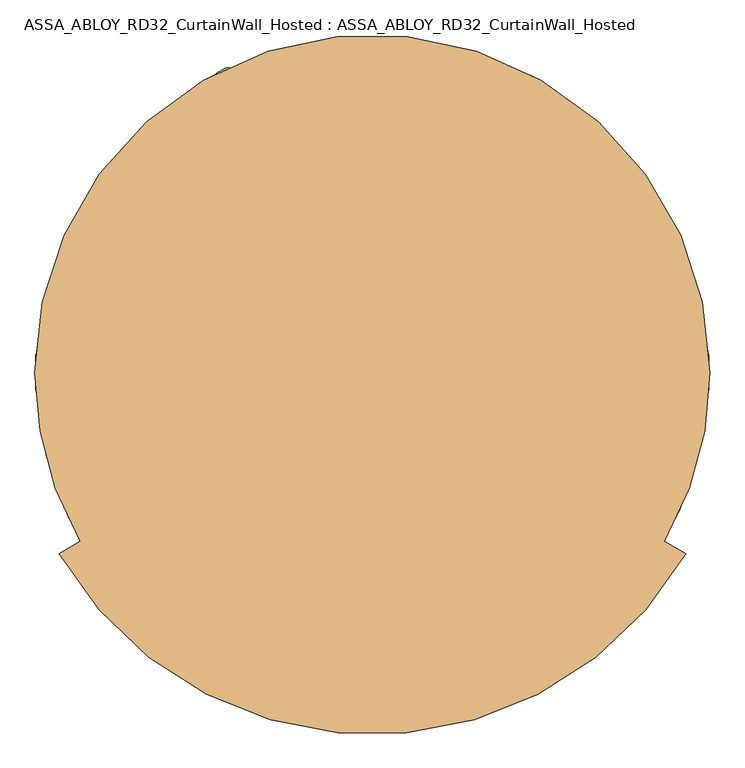
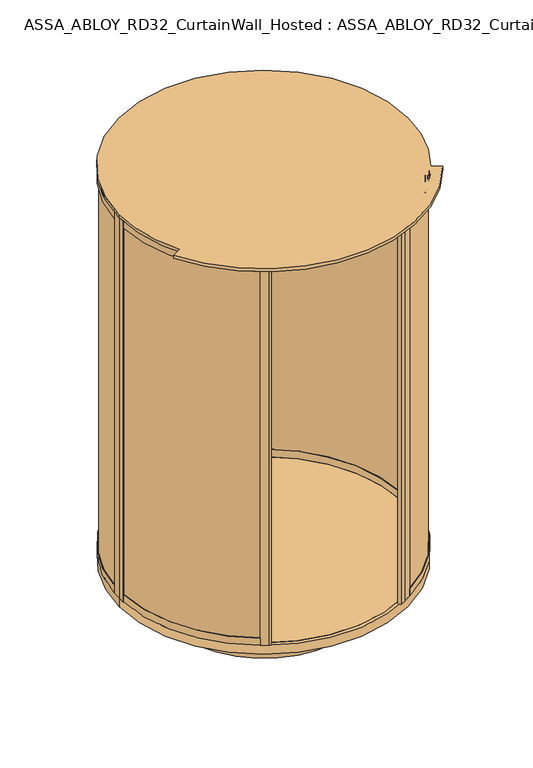
"""IFC4 building model written with IfcOpenShell, lengths in millimetres: door geometry, ASSA_ABLOY_RD32_CurtainWall_Hosted : ASSA_ABLOY_RD32_CurtainWall_Hosted."""

from ifc_helpers import new_model, si_unit, point, frame, frame_2d, origin, origin_with_axes, origin_2d, place, context, project, spatial, polyline, circle_curve, trimmed, segment, composite_curve, outline, extrude, source, transform, mapped, element, save
from ifc_brep_helpers import plane_surface, cylinder_surface, revolved_surface, advanced_brep


def assa_abloy_rd32_curtainwall_hosted_assa_abloy_rd32_4c6b5f64(model_context):
    return source(origin(), model_context, "Body", "SolidModel", [
        extrude(outline(composite_curve([segment(trimmed(circle_curve(origin_2d(), 989.0), [point((494.5, 856.4991243))], [point((988.4436781, 33.1676829))], False, "CARTESIAN"), True, "CONTINUOUS"), segment(polyline([(988.4436781, 33.1676829), (978.4493032, 32.8323171)]), True, "CONTINUOUS"), segment(trimmed(circle_curve(origin_2d(), 979.0), [point((978.4493032, 32.8323171))], [point((489.5, 847.8388703))], True, "CARTESIAN"), True, "CONTINUOUS"), segment(polyline([(489.5, 847.8388703), (494.5, 856.4991243)]), True, "CONTINUOUS")], self_intersect=False)), frame((0.0, 0.0, 33.0), z_axis=(0.0, 0.0, 1.0), x_axis=(1.0, 0.0, 0.0)), (0.0, 0.0, 1.0), 2715.0),
        extrude(outline(composite_curve([segment(trimmed(circle_curve(origin_2d(), 989.0), [point((988.4436781, -33.1676829))], [point((494.5, -856.4991243))], False, "CARTESIAN"), True, "CONTINUOUS"), segment(polyline([(494.5, -856.4991243), (489.5, -847.8388703)]), True, "CONTINUOUS"), segment(trimmed(circle_curve(origin_2d(), 979.0), [point((489.5, -847.8388703))], [point((978.4493032, -32.8323171))], True, "CARTESIAN"), True, "CONTINUOUS"), segment(polyline([(978.4493032, -32.8323171), (988.4436781, -33.1676829)]), True, "CONTINUOUS")], self_intersect=False)), frame((0.0, 0.0, 33.0), z_axis=(0.0, 0.0, 1.0), x_axis=(1.0, 0.0, 0.0)), (0.0, 0.0, 1.0), 2715.0),
        extrude(outline(composite_curve([segment(polyline([(496.9998179, -860.828936), (514.320326, -850.828936), (515.8201439, -853.4266969), (461.2605435, -884.9266969), (461.760545, -885.7927249), (435.7781998, -900.7936389)]), True, "CONTINUOUS"), segment(trimmed(circle_curve(frame_2d((428.7783803, -888.669596)), 13.9996389), [point((435.7781998, -900.7936389))], [point((421.7785609, -876.545553))], False, "CARTESIAN"), True, "CONTINUOUS"), segment(polyline([(421.7785609, -876.545553), (447.7609061, -861.544639), (448.2609076, -862.4106671), (502.8205081, -830.9106671), (504.320326, -833.5084279), (486.9998179, -843.5084279), (496.9998179, -860.828936)]), True, "CONTINUOUS")], self_intersect=False)), origin_with_axes(), (0.0, 0.0, 1.0), 2778.0),
        extrude(outline(composite_curve([segment(polyline([(496.9998179, 860.828936), (486.9998179, 843.5084279), (504.320326, 833.5084279), (502.8205081, 830.9106671), (457.7868716, 856.9108492)]), True, "CONTINUOUS"), segment(trimmed(circle_curve(frame_2d((464.2866895, 868.1688641)), 12.9996359), [point((457.7868716, 856.9108492))], [point((470.7865074, 879.426879))], False, "CARTESIAN"), True, "CONTINUOUS"), segment(polyline([(470.7865074, 879.426879), (515.8201439, 853.4266969), (514.320326, 850.828936), (496.9998179, 860.828936)]), True, "CONTINUOUS")], self_intersect=False)), origin_with_axes(), (0.0, 0.0, 1.0), 2778.0),
        advanced_brep(
        [(502.2711247, 831.0022366, 0.0), (502.2711247, 831.0022366, 53.0), (503.8229408, 833.5696998, 53.0), (503.8229408, 833.5696998, 33.0), (514.168381, 850.6861207, 33.0), (514.168381, 850.6861207, 53.0), (515.7201971, 853.2535838, 53.0), (515.7201971, 853.2535838, 0.0), (969.6270403, 51.6178536, 0.0), (995.5902772, 53.0, 0.0), (995.5902772, 53.0, 53.0), (992.5945191, 52.8405216, 53.0), (992.5945191, 52.8405216, 33.0), (972.6227984, 51.777332, 33.0), (972.6227984, 51.777332, 53.0), (969.6270403, 51.6178536, 53.0)],
        [
            (0, 1),
            (1, 2),
            (2, 3),
            (3, 4),
            (4, 5),
            (5, 6),
            (6, 7),
            (7, 0),
            (8, 9),
            (9, 10),
            (10, 11),
            (11, 12),
            (12, 13),
            (13, 14),
            (14, 15),
            (15, 8),
            (15, 1, circle_curve(frame((0.0, 0.0, 53.0), z_axis=(0.0, 0.0, 1.0), x_axis=(0.5172720131197738, 0.8558210469736162, 0.0)), 971.0)),
            (0, 8, circle_curve(frame((0.0, 0.0, 0.0), z_axis=(0.0, 0.0, -1.0), x_axis=(0.5172720131197738, 0.8558210469736162, 0.0)), 971.0)),
            (14, 2, circle_curve(frame((0.0, 0.0, 53.0), z_axis=(0.0, 0.0, 1.0), x_axis=(0.5172720131197738, 0.8558210469736162, 0.0)), 974.0)),
            (13, 3, circle_curve(frame((0.0, 0.0, 33.0), z_axis=(0.0, 0.0, 1.0), x_axis=(0.5172720131197738, 0.8558210469736162, 0.0)), 974.0)),
            (12, 4, circle_curve(frame((0.0, 0.0, 33.0), z_axis=(0.0, 0.0, 1.0), x_axis=(0.5172720131197738, 0.8558210469736162, 0.0)), 994.0)),
            (11, 5, circle_curve(frame((0.0, 0.0, 53.0), z_axis=(0.0, 0.0, 1.0), x_axis=(0.5172720131197738, 0.8558210469736162, 0.0)), 994.0)),
            (10, 6, circle_curve(frame((0.0, 0.0, 53.0), z_axis=(0.0, 0.0, 1.0), x_axis=(0.5172720131197738, 0.8558210469736162, 0.0)), 997.0)),
            (9, 7, circle_curve(frame((0.0, 0.0, 0.0), z_axis=(0.0, 0.0, 1.0), x_axis=(0.5172720131197738, 0.8558210469736162, 0.0)), 997.0)),
        ],
        [
            plane_surface(frame((515.7201971, 853.2535838, 0.0), z_axis=(-0.8558210469736162, 0.5172720131197739, 0.0), x_axis=(0.0, 0.0, 1.0))),
            plane_surface(frame((995.5902772, 53.0, 0.0), z_axis=(0.05315947843547908, -0.9985860352781166, 0.0), x_axis=(0.0, 0.0, 1.0))),
            revolved_surface(polyline([(502.2711247393003, 831.0022366113812, 0.0), (502.2711247393003, 831.0022366113812, 53.0)]), (0.0, 0.0, 0.0), (0.0, 0.0, -1.0)),
            plane_surface(frame((0.0, 0.0, 53.0), z_axis=(0.0, 0.0, 1.0000000000000002), x_axis=(0.5172720131197739, 0.8558210469736163, 0.0))),
            cylinder_surface(frame((0.0, 0.0, 0.0), z_axis=(0.0, 0.0, -1.0), x_axis=(0.5172720131197738, 0.8558210469736162, 0.0)), 974.0),
            plane_surface(frame((0.0, 0.0, 33.0), z_axis=(0.0, 0.0, 1.0000000000000002), x_axis=(0.5172720131197739, 0.8558210469736163, 0.0))),
            revolved_surface(polyline([(514.1683810410551, 850.6861206917745, 33.0), (514.1683810410551, 850.6861206917745, 53.0)]), (0.0, 0.0, 0.0), (0.0, 0.0, -1.0)),
            cylinder_surface(frame((0.0, 0.0, 0.0), z_axis=(0.0, 0.0, -1.0), x_axis=(0.5172720131197738, 0.8558210469736162, 0.0)), 997.0),
            plane_surface(frame((0.0, 0.0, 0.0), z_axis=(0.0, 0.0, -1.0000000000000002), x_axis=(0.5172720131197739, 0.8558210469736163, 0.0))),
        ],
        [
            (0, [[1, 2, 3, 4, 5, 6, 7, 8]]),
            (1, [[9, 10, 11, 12, 13, 14, 15, 16]]),
            (2, [[17, -1, 18, -16]]),
            (3, [[19, -2, -17, -15]]),
            (4, [[20, -3, -19, -14]]),
            (5, [[21, -4, -20, -13]]),
            (6, [[22, -5, -21, -12]]),
            (3, [[23, -6, -22, -11]]),
            (7, [[24, -7, -23, -10]]),
            (8, [[-18, -8, -24, -9]]),
        ],
    ),
        advanced_brep(
        [(969.6270403, 51.6178536, 2778.0), (969.6270403, 51.6178536, 2728.0), (972.6227984, 51.777332, 2728.0), (972.6227984, 51.777332, 2748.0), (992.5945191, 52.8405216, 2748.0), (992.5945191, 52.8405216, 2728.0), (995.5902772, 53.0, 2728.0), (995.5902772, 53.0, 2778.0), (502.2711247, 831.0022366, 2778.0), (515.7201971, 853.2535838, 2778.0), (515.7201971, 853.2535838, 2728.0), (514.168381, 850.6861207, 2728.0), (514.168381, 850.6861207, 2748.0), (503.8229408, 833.5696997, 2748.0), (503.8229408, 833.5696997, 2728.0), (502.2711247, 831.0022366, 2728.0)],
        [
            (0, 1),
            (1, 2),
            (2, 3),
            (3, 4),
            (4, 5),
            (5, 6),
            (6, 7),
            (7, 0),
            (8, 9),
            (9, 10),
            (10, 11),
            (11, 12),
            (12, 13),
            (13, 14),
            (14, 15),
            (15, 8),
            (15, 1, circle_curve(frame((0.0, 0.0, 2728.0), z_axis=(0.0, 0.0, -1.0), x_axis=(0.9985860352779897, 0.05315947843786122, 0.0)), 971.0)),
            (0, 8, circle_curve(frame((0.0, 0.0, 2778.0), z_axis=(0.0, 0.0, 1.0), x_axis=(0.9985860352779897, 0.05315947843786122, 0.0)), 971.0)),
            (14, 2, circle_curve(frame((0.0, 0.0, 2728.0), z_axis=(0.0, 0.0, -1.0), x_axis=(0.9985860352779897, 0.05315947843786122, 0.0)), 974.0)),
            (9, 7, circle_curve(frame((0.0, 0.0, 2778.0), z_axis=(0.0, 0.0, -1.0), x_axis=(0.9985860352779897, 0.05315947843786122, 0.0)), 997.0)),
            (6, 10, circle_curve(frame((0.0, 0.0, 2728.0), z_axis=(0.0, 0.0, 1.0), x_axis=(0.9985860352779897, 0.05315947843786122, 0.0)), 997.0)),
            (13, 3, circle_curve(frame((0.0, 0.0, 2748.0), z_axis=(0.0, 0.0, -1.0), x_axis=(0.9985860352779897, 0.05315947843786122, 0.0)), 974.0)),
            (12, 4, circle_curve(frame((0.0, 0.0, 2748.0), z_axis=(0.0, 0.0, -1.0), x_axis=(0.9985860352779897, 0.05315947843786122, 0.0)), 994.0)),
            (11, 5, circle_curve(frame((0.0, 0.0, 2728.0), z_axis=(0.0, 0.0, -1.0), x_axis=(0.9985860352779897, 0.05315947843786122, 0.0)), 994.0)),
        ],
        [
            plane_surface(frame((995.5902772, 53.0, 2778.0), z_axis=(0.053159478437861236, -0.9985860352779897, 0.0), x_axis=(0.0, 0.0, 1.0))),
            plane_surface(frame((515.7201971, 853.2535838, 2778.0), z_axis=(-0.855821046973346, 0.5172720131202209, 0.0), x_axis=(0.0, 0.0, 1.0))),
            revolved_surface(polyline([(969.627040254928, 51.617853563163244, 2778.0), (969.627040254928, 51.617853563163244, 2728.0)]), (0.0, 0.0, 2778.0), (0.0, 0.0, 1.0)),
            plane_surface(frame((0.0, 0.0, 2728.0), z_axis=(0.0, 0.0, -1.0), x_axis=(0.9985860352779897, 0.05315947843786122, 0.0))),
            cylinder_surface(frame((0.0, 0.0, 2778.0), z_axis=(0.0, 0.0, 1.0), x_axis=(0.9985860352779897, 0.05315947843786122, 0.0)), 997.0),
            plane_surface(frame((0.0, 0.0, 2778.0), z_axis=(0.0, 0.0, 1.0), x_axis=(0.9985860352779897, 0.05315947843786122, 0.0))),
            cylinder_surface(frame((0.0, 0.0, 2778.0), z_axis=(0.0, 0.0, 1.0), x_axis=(0.9985860352779897, 0.05315947843786122, 0.0)), 974.0),
            plane_surface(frame((0.0, 0.0, 2748.0), z_axis=(0.0, 0.0, -1.0), x_axis=(0.9985860352779897, 0.05315947843786122, 0.0))),
            revolved_surface(polyline([(992.5945190663218, 52.840521567234056, 2748.0), (992.5945190663218, 52.840521567234056, 2728.0)]), (0.0, 0.0, 2778.0), (0.0, 0.0, 1.0)),
        ],
        [
            (0, [[1, 2, 3, 4, 5, 6, 7, 8]]),
            (1, [[9, 10, 11, 12, 13, 14, 15, 16]]),
            (2, [[17, -1, 18, -16]]),
            (3, [[19, -2, -17, -15]]),
            (4, [[20, -7, 21, -10]]),
            (5, [[-18, -8, -20, -9]]),
            (6, [[22, -3, -19, -14]]),
            (7, [[23, -4, -22, -13]]),
            (8, [[24, -5, -23, -12]]),
            (3, [[-21, -6, -24, -11]]),
        ],
    ),
        extrude(outline(polyline([(997.0, 0.0), (971.0, 0.0), (971.0, 53.0), (974.0, 53.0), (974.0, 33.0), (994.0, 33.0), (994.0, 53.0), (997.0, 53.0), (997.0, 0.0)])), origin_with_axes(), (0.0, 0.0, 1.0), 2778.0),
        advanced_brep(
        [(502.2711247, -831.0022366, 0.0), (515.7201971, -853.2535838, 0.0), (515.7201971, -853.2535838, 53.0), (514.168381, -850.6861207, 53.0), (514.168381, -850.6861207, 33.0), (503.8229408, -833.5696998, 33.0), (503.8229408, -833.5696998, 53.0), (502.2711247, -831.0022366, 53.0), (969.6270403, -51.6178536, 0.0), (969.6270403, -51.6178536, 53.0), (972.6227984, -51.777332, 53.0), (972.6227984, -51.777332, 33.0), (992.5945191, -52.8405216, 33.0), (992.5945191, -52.8405216, 53.0), (995.5902772, -53.0, 53.0), (995.5902772, -53.0, 0.0)],
        [
            (0, 1),
            (1, 2),
            (2, 3),
            (3, 4),
            (4, 5),
            (5, 6),
            (6, 7),
            (7, 0),
            (8, 9),
            (9, 10),
            (10, 11),
            (11, 12),
            (12, 13),
            (13, 14),
            (14, 15),
            (15, 8),
            (8, 0, circle_curve(frame((0.0, 0.0, 0.0), z_axis=(0.0, 0.0, -1.0), x_axis=(0.5172720131195371, -0.8558210469737593, 0.0)), 971.0)),
            (7, 9, circle_curve(frame((0.0, 0.0, 53.0), z_axis=(0.0, 0.0, 1.0), x_axis=(0.5172720131195371, -0.8558210469737593, 0.0)), 971.0)),
            (6, 10, circle_curve(frame((0.0, 0.0, 53.0), z_axis=(0.0, 0.0, 1.0), x_axis=(0.5172720131195371, -0.8558210469737593, 0.0)), 974.0)),
            (5, 11, circle_curve(frame((0.0, 0.0, 33.0), z_axis=(0.0, 0.0, 1.0), x_axis=(0.5172720131195371, -0.8558210469737593, 0.0)), 974.0)),
            (4, 12, circle_curve(frame((0.0, 0.0, 33.0), z_axis=(0.0, 0.0, 1.0), x_axis=(0.5172720131195371, -0.8558210469737593, 0.0)), 994.0)),
            (3, 13, circle_curve(frame((0.0, 0.0, 53.0), z_axis=(0.0, 0.0, 1.0), x_axis=(0.5172720131195371, -0.8558210469737593, 0.0)), 994.0)),
            (2, 14, circle_curve(frame((0.0, 0.0, 53.0), z_axis=(0.0, 0.0, 1.0), x_axis=(0.5172720131195371, -0.8558210469737593, 0.0)), 997.0)),
            (1, 15, circle_curve(frame((0.0, 0.0, 0.0), z_axis=(0.0, 0.0, 1.0), x_axis=(0.5172720131195371, -0.8558210469737593, 0.0)), 997.0)),
        ],
        [
            plane_surface(frame((515.7201971, -853.2535838, 0.0), z_axis=(-0.8558210469737594, -0.5172720131195372, 0.0), x_axis=(0.0, 0.0, 1.0))),
            plane_surface(frame((995.5902772, -53.0, 0.0), z_axis=(0.053159478435714, 0.9985860352781041, 0.0), x_axis=(0.0, 0.0, 1.0))),
            revolved_surface(polyline([(502.2711247390705, -831.0022366115203, 53.0), (502.2711247390705, -831.0022366115203, 0.0)]), (0.0, 0.0, 0.0), (0.0, 0.0, 1.0)),
            plane_surface(frame((0.0, 0.0, 53.0), z_axis=(0.0, 0.0, 1.0), x_axis=(0.5172720131195371, -0.8558210469737593, 0.0))),
            cylinder_surface(frame((0.0, 0.0, 0.0), z_axis=(0.0, 0.0, 1.0), x_axis=(0.5172720131195371, -0.8558210469737593, 0.0)), 974.0),
            plane_surface(frame((0.0, 0.0, 33.0), z_axis=(0.0, 0.0, 1.0), x_axis=(0.5172720131195371, -0.8558210469737593, 0.0))),
            revolved_surface(polyline([(514.1683810408199, -850.6861206919167, 53.0), (514.1683810408199, -850.6861206919167, 33.0)]), (0.0, 0.0, 0.0), (0.0, 0.0, 1.0)),
            cylinder_surface(frame((0.0, 0.0, 0.0), z_axis=(0.0, 0.0, 1.0), x_axis=(0.5172720131195371, -0.8558210469737593, 0.0)), 997.0),
            plane_surface(frame((0.0, 0.0, 0.0), z_axis=(0.0, 0.0, -1.0), x_axis=(0.5172720131195371, -0.8558210469737593, 0.0))),
        ],
        [
            (0, [[1, 2, 3, 4, 5, 6, 7, 8]]),
            (1, [[9, 10, 11, 12, 13, 14, 15, 16]]),
            (2, [[17, -8, 18, -9]]),
            (3, [[-18, -7, 19, -10]]),
            (4, [[-19, -6, 20, -11]]),
            (5, [[-20, -5, 21, -12]]),
            (6, [[-21, -4, 22, -13]]),
            (3, [[-22, -3, 23, -14]]),
            (7, [[-23, -2, 24, -15]]),
            (8, [[-24, -1, -17, -16]]),
        ],
    ),
        advanced_brep(
        [(969.6270403, -51.6178536, 2778.0), (995.5902772, -53.0, 2778.0), (995.5902772, -53.0, 2728.0), (992.5945191, -52.8405216, 2728.0), (992.5945191, -52.8405216, 2748.0), (972.6227984, -51.777332, 2748.0), (972.6227984, -51.777332, 2728.0), (969.6270403, -51.6178536, 2728.0), (502.2711247, -831.0022366, 2778.0), (502.2711247, -831.0022366, 2728.0), (503.8229408, -833.5696998, 2728.0), (503.8229408, -833.5696998, 2748.0), (514.168381, -850.6861207, 2748.0), (514.168381, -850.6861207, 2728.0), (515.7201971, -853.2535838, 2728.0), (515.7201971, -853.2535838, 2778.0)],
        [
            (0, 1),
            (1, 2),
            (2, 3),
            (3, 4),
            (4, 5),
            (5, 6),
            (6, 7),
            (7, 0),
            (8, 9),
            (9, 10),
            (10, 11),
            (11, 12),
            (12, 13),
            (13, 14),
            (14, 15),
            (15, 8),
            (8, 0, circle_curve(frame((0.0, 0.0, 2778.0), z_axis=(0.0, 0.0, 1.0), x_axis=(0.998586035278285, -0.05315947843231441, 0.0)), 971.0)),
            (7, 9, circle_curve(frame((0.0, 0.0, 2728.0), z_axis=(0.0, 0.0, -1.0), x_axis=(0.998586035278285, -0.05315947843231441, 0.0)), 971.0)),
            (6, 10, circle_curve(frame((0.0, 0.0, 2728.0), z_axis=(0.0, 0.0, -1.0), x_axis=(0.998586035278285, -0.05315947843231441, 0.0)), 974.0)),
            (14, 2, circle_curve(frame((0.0, 0.0, 2728.0), z_axis=(0.0, 0.0, 1.0), x_axis=(0.998586035278285, -0.05315947843231441, 0.0)), 997.0)),
            (1, 15, circle_curve(frame((0.0, 0.0, 2778.0), z_axis=(0.0, 0.0, -1.0), x_axis=(0.998586035278285, -0.05315947843231441, 0.0)), 997.0)),
            (5, 11, circle_curve(frame((0.0, 0.0, 2748.0), z_axis=(0.0, 0.0, -1.0), x_axis=(0.998586035278285, -0.05315947843231441, 0.0)), 974.0)),
            (4, 12, circle_curve(frame((0.0, 0.0, 2748.0), z_axis=(0.0, 0.0, -1.0), x_axis=(0.998586035278285, -0.05315947843231441, 0.0)), 994.0)),
            (3, 13, circle_curve(frame((0.0, 0.0, 2728.0), z_axis=(0.0, 0.0, -1.0), x_axis=(0.998586035278285, -0.05315947843231441, 0.0)), 994.0)),
        ],
        [
            plane_surface(frame((995.5902772, -53.0, 2778.0), z_axis=(0.053159478432314444, 0.998586035278285, 0.0), x_axis=(0.0, 0.0, 1.0))),
            plane_surface(frame((515.7201971, -853.2535838, 2778.0), z_axis=(-0.8558210469721426, -0.517272013122212, 0.0), x_axis=(0.0, 0.0, 1.0))),
            revolved_surface(polyline([(969.6270402552148, -51.617853557777295, 2728.0), (969.6270402552148, -51.617853557777295, 2778.0)]), (0.0, 0.0, 2778.0), (0.0, 0.0, -1.0)),
            plane_surface(frame((0.0, 0.0, 2728.0), z_axis=(0.0, 0.0, -1.0), x_axis=(0.998586035278285, -0.05315947843231441, 0.0))),
            cylinder_surface(frame((0.0, 0.0, 2778.0), z_axis=(0.0, 0.0, -1.0), x_axis=(0.998586035278285, -0.05315947843231441, 0.0)), 997.0),
            plane_surface(frame((0.0, 0.0, 2778.0), z_axis=(0.0, 0.0, 1.0), x_axis=(0.998586035278285, -0.05315947843231441, 0.0))),
            cylinder_surface(frame((0.0, 0.0, 2778.0), z_axis=(0.0, 0.0, -1.0), x_axis=(0.998586035278285, -0.05315947843231441, 0.0)), 974.0),
            plane_surface(frame((0.0, 0.0, 2748.0), z_axis=(0.0, 0.0, -1.0), x_axis=(0.998586035278285, -0.05315947843231441, 0.0))),
            revolved_surface(polyline([(992.5945190666154, -52.84052156172052, 2728.0), (992.5945190666154, -52.84052156172052, 2748.0)]), (0.0, 0.0, 2778.0), (0.0, 0.0, -1.0)),
        ],
        [
            (0, [[1, 2, 3, 4, 5, 6, 7, 8]]),
            (1, [[9, 10, 11, 12, 13, 14, 15, 16]]),
            (2, [[17, -8, 18, -9]]),
            (3, [[-18, -7, 19, -10]]),
            (4, [[20, -2, 21, -15]]),
            (5, [[-21, -1, -17, -16]]),
            (6, [[-19, -6, 22, -11]]),
            (7, [[-22, -5, 23, -12]]),
            (8, [[-23, -4, 24, -13]]),
            (3, [[-24, -3, -20, -14]]),
        ],
    ),
        extrude(outline(polyline([(997.0, 0.0), (997.0, -53.0), (994.0, -53.0), (994.0, -33.0), (974.0, -33.0), (974.0, -53.0), (971.0, -53.0), (971.0, 0.0), (997.0, 0.0)])), origin_with_axes(), (0.0, 0.0, 1.0), 2778.0),
        extrude(outline(composite_curve([segment(trimmed(circle_curve(origin_2d(), 979.0), [point((-489.5, 847.8388703))], [point((-979.0, 0.0))], True, "CARTESIAN"), True, "CONTINUOUS"), segment(polyline([(-979.0, 0.0), (-989.0, 0.0)]), True, "CONTINUOUS"), segment(trimmed(circle_curve(origin_2d(), 989.0), [point((-989.0, 0.0))], [point((-494.5, 856.4991243))], False, "CARTESIAN"), True, "CONTINUOUS"), segment(polyline([(-494.5, 856.4991243), (-489.5, 847.8388703)]), True, "CONTINUOUS")], self_intersect=False)), frame((0.0, 0.0, 33.0), z_axis=(0.0, 0.0, 1.0), x_axis=(1.0, 0.0, 0.0)), (0.0, 0.0, 1.0), 2715.0),
        advanced_brep(
        [(-502.2711247, 831.0022366, 0.0), (-515.7201971, 853.2535838, 0.0), (-515.7201971, 853.2535838, 53.0), (-514.168381, 850.6861207, 53.0), (-514.168381, 850.6861207, 33.0), (-503.8229408, 833.5696998, 33.0), (-503.8229408, 833.5696998, 53.0), (-502.2711247, 831.0022366, 53.0), (-969.6270403, 51.6178536, 0.0), (-969.6270403, 51.6178536, 53.0), (-972.6227984, 51.777332, 53.0), (-972.6227984, 51.777332, 33.0), (-992.5945191, 52.8405216, 33.0), (-992.5945191, 52.8405216, 53.0), (-995.5902772, 53.0, 53.0), (-995.5902772, 53.0, 0.0)],
        [
            (0, 1),
            (1, 2),
            (2, 3),
            (3, 4),
            (4, 5),
            (5, 6),
            (6, 7),
            (7, 0),
            (8, 9),
            (9, 10),
            (10, 11),
            (11, 12),
            (12, 13),
            (13, 14),
            (14, 15),
            (15, 8),
            (8, 0, circle_curve(frame((0.0, 0.0, 0.0), z_axis=(0.0, 0.0, -1.0), x_axis=(-0.5172720131199363, 0.8558210469735179, 0.0)), 971.0)),
            (7, 9, circle_curve(frame((0.0, 0.0, 53.0), z_axis=(0.0, 0.0, 1.0), x_axis=(-0.5172720131199363, 0.8558210469735179, 0.0)), 971.0)),
            (6, 10, circle_curve(frame((0.0, 0.0, 53.0), z_axis=(0.0, 0.0, 1.0), x_axis=(-0.5172720131199363, 0.8558210469735179, 0.0)), 974.0)),
            (5, 11, circle_curve(frame((0.0, 0.0, 33.0), z_axis=(0.0, 0.0, 1.0), x_axis=(-0.5172720131199363, 0.8558210469735179, 0.0)), 974.0)),
            (4, 12, circle_curve(frame((0.0, 0.0, 33.0), z_axis=(0.0, 0.0, 1.0), x_axis=(-0.5172720131199363, 0.8558210469735179, 0.0)), 994.0)),
            (3, 13, circle_curve(frame((0.0, 0.0, 53.0), z_axis=(0.0, 0.0, 1.0), x_axis=(-0.5172720131199363, 0.8558210469735179, 0.0)), 994.0)),
            (2, 14, circle_curve(frame((0.0, 0.0, 53.0), z_axis=(0.0, 0.0, 1.0), x_axis=(-0.5172720131199363, 0.8558210469735179, 0.0)), 997.0)),
            (1, 15, circle_curve(frame((0.0, 0.0, 0.0), z_axis=(0.0, 0.0, 1.0), x_axis=(-0.5172720131199363, 0.8558210469735179, 0.0)), 997.0)),
        ],
        [
            plane_surface(frame((-515.7201971, 853.2535838, 0.0), z_axis=(0.855821046973518, 0.5172720131199363, 0.0), x_axis=(0.0, 0.0, 1.0))),
            plane_surface(frame((-995.5902772, 53.0, 0.0), z_axis=(-0.0531594784350477, -0.9985860352781395, 0.0), x_axis=(0.0, 0.0, 1.0))),
            revolved_surface(polyline([(-502.2711247394582, 831.0022366112859, 53.0), (-502.2711247394582, 831.0022366112859, 0.0)]), (0.0, 0.0, 0.0), (0.0, 0.0, 1.0)),
            plane_surface(frame((0.0, 0.0, 53.0), z_axis=(0.0, 0.0, 1.0000000000000002), x_axis=(-0.5172720131199364, 0.855821046973518, 0.0))),
            cylinder_surface(frame((0.0, 0.0, 0.0), z_axis=(0.0, 0.0, 1.0), x_axis=(-0.5172720131199363, 0.8558210469735179, 0.0)), 974.0),
            plane_surface(frame((0.0, 0.0, 33.0), z_axis=(0.0, 0.0, 1.0000000000000002), x_axis=(-0.5172720131199364, 0.855821046973518, 0.0))),
            revolved_surface(polyline([(-514.1683810412167, 850.6861206916768, 53.0), (-514.1683810412167, 850.6861206916768, 33.0)]), (0.0, 0.0, 0.0), (0.0, 0.0, 1.0)),
            cylinder_surface(frame((0.0, 0.0, 0.0), z_axis=(0.0, 0.0, 1.0), x_axis=(-0.5172720131199363, 0.8558210469735179, 0.0)), 997.0),
            plane_surface(frame((0.0, 0.0, 0.0), z_axis=(0.0, 0.0, -1.0000000000000002), x_axis=(-0.5172720131199364, 0.855821046973518, 0.0))),
        ],
        [
            (0, [[1, 2, 3, 4, 5, 6, 7, 8]]),
            (1, [[9, 10, 11, 12, 13, 14, 15, 16]]),
            (2, [[17, -8, 18, -9]]),
            (3, [[-18, -7, 19, -10]]),
            (4, [[-19, -6, 20, -11]]),
            (5, [[-20, -5, 21, -12]]),
            (6, [[-21, -4, 22, -13]]),
            (3, [[-22, -3, 23, -14]]),
            (7, [[-23, -2, 24, -15]]),
            (8, [[-24, -1, -17, -16]]),
        ],
    ),
        advanced_brep(
        [(-969.6270403, 51.6178536, 2778.0), (-995.5902772, 53.0, 2778.0), (-995.5902772, 53.0, 2728.0), (-992.5945191, 52.8405216, 2728.0), (-992.5945191, 52.8405216, 2748.0), (-972.6227984, 51.777332, 2748.0), (-972.6227984, 51.777332, 2728.0), (-969.6270403, 51.6178536, 2728.0), (-502.2711247, 831.0022366, 2778.0), (-502.2711247, 831.0022366, 2728.0), (-503.8229408, 833.5696998, 2728.0), (-503.8229408, 833.5696998, 2748.0), (-514.168381, 850.6861207, 2748.0), (-514.168381, 850.6861207, 2728.0), (-515.7201971, 853.2535838, 2728.0), (-515.7201971, 853.2535838, 2778.0)],
        [
            (0, 1),
            (1, 2),
            (2, 3),
            (3, 4),
            (4, 5),
            (5, 6),
            (6, 7),
            (7, 0),
            (8, 9),
            (9, 10),
            (10, 11),
            (11, 12),
            (12, 13),
            (13, 14),
            (14, 15),
            (15, 8),
            (8, 0, circle_curve(frame((0.0, 0.0, 2778.0), z_axis=(0.0, 0.0, 1.0), x_axis=(-0.9985860352779593, 0.053159478438433744, 0.0)), 971.0)),
            (7, 9, circle_curve(frame((0.0, 0.0, 2728.0), z_axis=(0.0, 0.0, -1.0), x_axis=(-0.9985860352779593, 0.053159478438433744, 0.0)), 971.0)),
            (6, 10, circle_curve(frame((0.0, 0.0, 2728.0), z_axis=(0.0, 0.0, -1.0), x_axis=(-0.9985860352779593, 0.053159478438433744, 0.0)), 974.0)),
            (14, 2, circle_curve(frame((0.0, 0.0, 2728.0), z_axis=(0.0, 0.0, 1.0), x_axis=(-0.9985860352779593, 0.053159478438433744, 0.0)), 997.0)),
            (1, 15, circle_curve(frame((0.0, 0.0, 2778.0), z_axis=(0.0, 0.0, -1.0), x_axis=(-0.9985860352779593, 0.053159478438433744, 0.0)), 997.0)),
            (5, 11, circle_curve(frame((0.0, 0.0, 2748.0), z_axis=(0.0, 0.0, -1.0), x_axis=(-0.9985860352779593, 0.053159478438433744, 0.0)), 974.0)),
            (4, 12, circle_curve(frame((0.0, 0.0, 2748.0), z_axis=(0.0, 0.0, -1.0), x_axis=(-0.9985860352779593, 0.053159478438433744, 0.0)), 994.0)),
            (3, 13, circle_curve(frame((0.0, 0.0, 2728.0), z_axis=(0.0, 0.0, -1.0), x_axis=(-0.9985860352779593, 0.053159478438433744, 0.0)), 994.0)),
        ],
        [
            plane_surface(frame((-995.5902772, 53.0, 2778.0), z_axis=(-0.05315947843843367, -0.9985860352779593, 0.0), x_axis=(0.0, 0.0, 1.0))),
            plane_surface(frame((-515.7201971, 853.2535838, 2778.0), z_axis=(0.855821046975163, 0.5172720131172146, 0.0), x_axis=(0.0, 0.0, 1.0))),
            revolved_surface(polyline([(-969.6270402548985, 51.617853563719166, 2728.0), (-969.6270402548985, 51.617853563719166, 2778.0)]), (0.0, 0.0, 2778.0), (0.0, 0.0, -1.0)),
            plane_surface(frame((0.0, 0.0, 2728.0), z_axis=(0.0, 0.0, -1.0), x_axis=(-0.9985860352779593, 0.053159478438433744, 0.0))),
            cylinder_surface(frame((0.0, 0.0, 2778.0), z_axis=(0.0, 0.0, -1.0), x_axis=(-0.9985860352779593, 0.053159478438433744, 0.0)), 997.0),
            plane_surface(frame((0.0, 0.0, 2778.0), z_axis=(0.0, 0.0, 1.0), x_axis=(-0.9985860352779593, 0.053159478438433744, 0.0))),
            cylinder_surface(frame((0.0, 0.0, 2778.0), z_axis=(0.0, 0.0, -1.0), x_axis=(-0.9985860352779593, 0.053159478438433744, 0.0)), 974.0),
            plane_surface(frame((0.0, 0.0, 2748.0), z_axis=(0.0, 0.0, -1.0), x_axis=(-0.9985860352779593, 0.053159478438433744, 0.0))),
            revolved_surface(polyline([(-992.5945190662916, 52.840521567803144, 2728.0), (-992.5945190662916, 52.840521567803144, 2748.0)]), (0.0, 0.0, 2778.0), (0.0, 0.0, -1.0)),
        ],
        [
            (0, [[1, 2, 3, 4, 5, 6, 7, 8]]),
            (1, [[9, 10, 11, 12, 13, 14, 15, 16]]),
            (2, [[17, -8, 18, -9]]),
            (3, [[-18, -7, 19, -10]]),
            (4, [[20, -2, 21, -15]]),
            (5, [[-21, -1, -17, -16]]),
            (6, [[-19, -6, 22, -11]]),
            (7, [[-22, -5, 23, -12]]),
            (8, [[-23, -4, 24, -13]]),
            (3, [[-24, -3, -20, -14]]),
        ],
    ),
        extrude(outline(composite_curve([segment(polyline([(-496.9998179, 860.828936), (-514.320326, 850.828936), (-515.8201439, 853.4266969), (-461.2605435, 884.9266969), (-461.760545, 885.7927249), (-435.7781998, 900.7936389)]), True, "CONTINUOUS"), segment(trimmed(circle_curve(frame_2d((-428.7783803, 888.669596)), 13.9996389), [point((-435.7781998, 900.7936389))], [point((-421.7785609, 876.545553))], False, "CARTESIAN"), True, "CONTINUOUS"), segment(polyline([(-421.7785609, 876.545553), (-447.7609061, 861.544639), (-448.2609076, 862.4106671), (-502.8205081, 830.9106671), (-504.320326, 833.5084279), (-486.9998179, 843.5084279), (-496.9998179, 860.828936)]), True, "CONTINUOUS")], self_intersect=False)), origin_with_axes(), (0.0, 0.0, 1.0), 2778.0),
        extrude(outline(polyline([(-997.0, 0.0), (-997.0, 53.0), (-994.0, 53.0), (-994.0, 33.0), (-974.0, 33.0), (-974.0, 53.0), (-971.0, 53.0), (-971.0, 0.0), (-997.0, 0.0)])), origin_with_axes(), (0.0, 0.0, 1.0), 2778.0),
        extrude(outline(composite_curve([segment(trimmed(circle_curve(origin_2d(), 989.0), [point((-494.5, -856.4991243))], [point((-988.4436781, -33.1676829))], False, "CARTESIAN"), True, "CONTINUOUS"), segment(polyline([(-988.4436781, -33.1676829), (-978.4493032, -32.8323171)]), True, "CONTINUOUS"), segment(trimmed(circle_curve(origin_2d(), 979.0), [point((-978.4493032, -32.8323171))], [point((-489.5, -847.8388703))], True, "CARTESIAN"), True, "CONTINUOUS"), segment(polyline([(-489.5, -847.8388703), (-494.5, -856.4991243)]), True, "CONTINUOUS")], self_intersect=False)), frame((0.0, 0.0, 33.0), z_axis=(0.0, 0.0, 1.0), x_axis=(1.0, 0.0, 0.0)), (0.0, 0.0, 1.0), 2715.0),
        advanced_brep(
        [(-502.2711247, -831.0022366, 0.0), (-502.2711247, -831.0022366, 53.0), (-503.8229408, -833.5696998, 53.0), (-503.8229408, -833.5696998, 33.0), (-514.168381, -850.6861207, 33.0), (-514.168381, -850.6861207, 53.0), (-515.7201971, -853.2535838, 53.0), (-515.7201971, -853.2535838, 0.0), (-969.6270403, -51.6178536, 0.0), (-995.5902772, -53.0, 0.0), (-995.5902772, -53.0, 53.0), (-992.5945191, -52.8405216, 53.0), (-992.5945191, -52.8405216, 33.0), (-972.6227984, -51.777332, 33.0), (-972.6227984, -51.777332, 53.0), (-969.6270403, -51.6178536, 53.0)],
        [
            (0, 1),
            (1, 2),
            (2, 3),
            (3, 4),
            (4, 5),
            (5, 6),
            (6, 7),
            (7, 0),
            (8, 9),
            (9, 10),
            (10, 11),
            (11, 12),
            (12, 13),
            (13, 14),
            (14, 15),
            (15, 8),
            (15, 1, circle_curve(frame((0.0, 0.0, 53.0), z_axis=(0.0, 0.0, 1.0), x_axis=(-0.5172720131195626, -0.8558210469737438, 0.0)), 971.0)),
            (0, 8, circle_curve(frame((0.0, 0.0, 0.0), z_axis=(0.0, 0.0, -1.0), x_axis=(-0.5172720131195626, -0.8558210469737438, 0.0)), 971.0)),
            (14, 2, circle_curve(frame((0.0, 0.0, 53.0), z_axis=(0.0, 0.0, 1.0), x_axis=(-0.5172720131195626, -0.8558210469737438, 0.0)), 974.0)),
            (13, 3, circle_curve(frame((0.0, 0.0, 33.0), z_axis=(0.0, 0.0, 1.0), x_axis=(-0.5172720131195626, -0.8558210469737438, 0.0)), 974.0)),
            (12, 4, circle_curve(frame((0.0, 0.0, 33.0), z_axis=(0.0, 0.0, 1.0), x_axis=(-0.5172720131195626, -0.8558210469737438, 0.0)), 994.0)),
            (11, 5, circle_curve(frame((0.0, 0.0, 53.0), z_axis=(0.0, 0.0, 1.0), x_axis=(-0.5172720131195626, -0.8558210469737438, 0.0)), 994.0)),
            (10, 6, circle_curve(frame((0.0, 0.0, 53.0), z_axis=(0.0, 0.0, 1.0), x_axis=(-0.5172720131195626, -0.8558210469737438, 0.0)), 997.0)),
            (9, 7, circle_curve(frame((0.0, 0.0, 0.0), z_axis=(0.0, 0.0, 1.0), x_axis=(-0.5172720131195626, -0.8558210469737438, 0.0)), 997.0)),
        ],
        [
            plane_surface(frame((-515.7201971, -853.2535838, 0.0), z_axis=(0.8558210469737437, -0.5172720131195627, 0.0), x_axis=(0.0, 0.0, 1.0))),
            plane_surface(frame((-995.5902772, -53.0, 0.0), z_axis=(-0.05315947843606917, 0.9985860352780852, 0.0), x_axis=(0.0, 0.0, 1.0))),
            revolved_surface(polyline([(-502.2711247390953, -831.0022366115053, 0.0), (-502.2711247390953, -831.0022366115053, 53.0)]), (0.0, 0.0, 0.0), (0.0, 0.0, -1.0)),
            plane_surface(frame((0.0, 0.0, 53.0), z_axis=(0.0, 0.0, 1.0), x_axis=(-0.5172720131195626, -0.8558210469737438, 0.0))),
            cylinder_surface(frame((0.0, 0.0, 0.0), z_axis=(0.0, 0.0, -1.0), x_axis=(-0.5172720131195626, -0.8558210469737438, 0.0)), 974.0),
            plane_surface(frame((0.0, 0.0, 33.0), z_axis=(0.0, 0.0, 1.0), x_axis=(-0.5172720131195626, -0.8558210469737438, 0.0))),
            revolved_surface(polyline([(-514.1683810408452, -850.6861206919014, 33.0), (-514.1683810408452, -850.6861206919014, 53.0)]), (0.0, 0.0, 0.0), (0.0, 0.0, -1.0)),
            cylinder_surface(frame((0.0, 0.0, 0.0), z_axis=(0.0, 0.0, -1.0), x_axis=(-0.5172720131195626, -0.8558210469737438, 0.0)), 997.0),
            plane_surface(frame((0.0, 0.0, 0.0), z_axis=(0.0, 0.0, -1.0), x_axis=(-0.5172720131195626, -0.8558210469737438, 0.0))),
        ],
        [
            (0, [[1, 2, 3, 4, 5, 6, 7, 8]]),
            (1, [[9, 10, 11, 12, 13, 14, 15, 16]]),
            (2, [[17, -1, 18, -16]]),
            (3, [[19, -2, -17, -15]]),
            (4, [[20, -3, -19, -14]]),
            (5, [[21, -4, -20, -13]]),
            (6, [[22, -5, -21, -12]]),
            (3, [[23, -6, -22, -11]]),
            (7, [[24, -7, -23, -10]]),
            (8, [[-18, -8, -24, -9]]),
        ],
    ),
        advanced_brep(
        [(-969.6270403, -51.6178536, 2778.0), (-969.6270403, -51.6178536, 2728.0), (-972.6227984, -51.777332, 2728.0), (-972.6227984, -51.777332, 2748.0), (-992.5945191, -52.8405216, 2748.0), (-992.5945191, -52.8405216, 2728.0), (-995.5902772, -53.0, 2728.0), (-995.5902772, -53.0, 2778.0), (-502.2711247, -831.0022366, 2778.0), (-515.7201971, -853.2535838, 2778.0), (-515.7201971, -853.2535838, 2728.0), (-514.168381, -850.6861207, 2728.0), (-514.168381, -850.6861207, 2748.0), (-503.8229408, -833.5696998, 2748.0), (-503.8229408, -833.5696998, 2728.0), (-502.2711247, -831.0022366, 2728.0)],
        [
            (0, 1),
            (1, 2),
            (2, 3),
            (3, 4),
            (4, 5),
            (5, 6),
            (6, 7),
            (7, 0),
            (8, 9),
            (9, 10),
            (10, 11),
            (11, 12),
            (12, 13),
            (13, 14),
            (14, 15),
            (15, 8),
            (15, 1, circle_curve(frame((0.0, 0.0, 2728.0), z_axis=(0.0, 0.0, -1.0), x_axis=(-0.9985860352782294, -0.05315947843335961, 0.0)), 971.0)),
            (0, 8, circle_curve(frame((0.0, 0.0, 2778.0), z_axis=(0.0, 0.0, 1.0), x_axis=(-0.9985860352782294, -0.05315947843335961, 0.0)), 971.0)),
            (14, 2, circle_curve(frame((0.0, 0.0, 2728.0), z_axis=(0.0, 0.0, -1.0), x_axis=(-0.9985860352782294, -0.05315947843335961, 0.0)), 974.0)),
            (9, 7, circle_curve(frame((0.0, 0.0, 2778.0), z_axis=(0.0, 0.0, -1.0), x_axis=(-0.9985860352782294, -0.05315947843335961, 0.0)), 997.0)),
            (6, 10, circle_curve(frame((0.0, 0.0, 2728.0), z_axis=(0.0, 0.0, 1.0), x_axis=(-0.9985860352782294, -0.05315947843335961, 0.0)), 997.0)),
            (13, 3, circle_curve(frame((0.0, 0.0, 2748.0), z_axis=(0.0, 0.0, -1.0), x_axis=(-0.9985860352782294, -0.05315947843335961, 0.0)), 974.0)),
            (12, 4, circle_curve(frame((0.0, 0.0, 2748.0), z_axis=(0.0, 0.0, -1.0), x_axis=(-0.9985860352782294, -0.05315947843335961, 0.0)), 994.0)),
            (11, 5, circle_curve(frame((0.0, 0.0, 2728.0), z_axis=(0.0, 0.0, -1.0), x_axis=(-0.9985860352782294, -0.05315947843335961, 0.0)), 994.0)),
        ],
        [
            plane_surface(frame((-995.5902772, -53.0, 2778.0), z_axis=(-0.05315947843335955, 0.9985860352782294, 0.0), x_axis=(0.0, 0.0, 1.0))),
            plane_surface(frame((-515.7201971, -853.2535838, 2778.0), z_axis=(0.8558210469739, -0.5172720131193043, 0.0), x_axis=(0.0, 0.0, 1.0))),
            revolved_surface(polyline([(-969.6270402551608, -51.61785355879218, 2778.0), (-969.6270402551608, -51.61785355879218, 2728.0)]), (0.0, 0.0, 2778.0), (0.0, 0.0, 1.0)),
            plane_surface(frame((0.0, 0.0, 2728.0), z_axis=(0.0, 0.0, -1.0000000000000002), x_axis=(-0.9985860352782294, -0.05315947843335961, 0.0))),
            cylinder_surface(frame((0.0, 0.0, 2778.0), z_axis=(0.0, 0.0, 1.0), x_axis=(-0.9985860352782294, -0.05315947843335961, 0.0)), 997.0),
            plane_surface(frame((0.0, 0.0, 2778.0), z_axis=(0.0, 0.0, 1.0000000000000002), x_axis=(-0.9985860352782294, -0.05315947843335961, 0.0))),
            cylinder_surface(frame((0.0, 0.0, 2778.0), z_axis=(0.0, 0.0, 1.0), x_axis=(-0.9985860352782294, -0.05315947843335961, 0.0)), 974.0),
            plane_surface(frame((0.0, 0.0, 2748.0), z_axis=(0.0, 0.0, -1.0000000000000002), x_axis=(-0.9985860352782294, -0.05315947843335961, 0.0))),
            revolved_surface(polyline([(-992.59451906656, -52.84052156275945, 2748.0), (-992.59451906656, -52.84052156275945, 2728.0)]), (0.0, 0.0, 2778.0), (0.0, 0.0, 1.0)),
        ],
        [
            (0, [[1, 2, 3, 4, 5, 6, 7, 8]]),
            (1, [[9, 10, 11, 12, 13, 14, 15, 16]]),
            (2, [[17, -1, 18, -16]]),
            (3, [[19, -2, -17, -15]]),
            (4, [[20, -7, 21, -10]]),
            (5, [[-18, -8, -20, -9]]),
            (6, [[22, -3, -19, -14]]),
            (7, [[23, -4, -22, -13]]),
            (8, [[24, -5, -23, -12]]),
            (3, [[-21, -6, -24, -11]]),
        ],
    ),
        extrude(outline(composite_curve([segment(polyline([(-496.9998179, -860.828936), (-486.9998179, -843.5084279), (-504.320326, -833.5084279), (-502.8205081, -830.9106671), (-457.7868721, -856.9108489)]), True, "CONTINUOUS"), segment(trimmed(circle_curve(frame_2d((-464.2866897, -868.168864)), 12.9996359), [point((-457.7868721, -856.9108489))], [point((-470.7865077, -879.4268789))], False, "CARTESIAN"), True, "CONTINUOUS"), segment(polyline([(-470.7865077, -879.4268789), (-515.8201439, -853.4266969), (-514.320326, -850.828936), (-496.9998179, -860.828936)]), True, "CONTINUOUS")], self_intersect=False)), origin_with_axes(), (0.0, 0.0, 1.0), 2778.0),
        extrude(outline(polyline([(-997.0, 0.0), (-971.0, 0.0), (-971.0, -53.0), (-974.0, -53.0), (-974.0, -33.0), (-994.0, -33.0), (-994.0, -53.0), (-997.0, -53.0), (-997.0, 0.0)])), origin_with_axes(), (0.0, 0.0, 1.0), 2778.0),
        extrude(outline(composite_curve([segment(trimmed(circle_curve(origin_2d(), 971.0), [point((-971.0, 0.0))], [point((971.0, 0.0))], False, "CARTESIAN"), True, "CONTINUOUS"), segment(trimmed(circle_curve(origin_2d(), 971.0), [point((971.0, 0.0))], [point((-971.0, 0.0))], False, "CARTESIAN"), True, "CONTINUOUS")], self_intersect=False)), frame((0.0, 0.0, -22.0), z_axis=(0.0, 0.0, 1.0), x_axis=(1.0, 0.0, 0.0)), (0.0, 0.0, 1.0), 22.0),
        advanced_brep(
        [(997.0, 0.0, -65.0), (-997.0, 0.0, -65.0), (-997.0, 0.0, 0.0), (997.0, 0.0, 0.0), (0.0, 0.0, -65.0), (971.0, 0.0, -23.0), (-971.0, 0.0, -23.0), (0.0, 0.0, -23.0), (971.0, 0.0, 0.0), (-971.0, 0.0, 0.0)],
        [
            (0, 1, circle_curve(frame((0.0, 0.0, -65.0), z_axis=(0.0, 0.0, 1.0), x_axis=(-1.0, 0.0, 0.0)), 997.0)),
            (1, 2),
            (2, 3, circle_curve(frame((0.0, 0.0, 0.0), z_axis=(0.0, 0.0, -1.0), x_axis=(-1.0, 0.0, 0.0)), 997.0)),
            (3, 0),
            (1, 0, circle_curve(frame((0.0, 0.0, -65.0), z_axis=(0.0, 0.0, 1.0), x_axis=(-1.0, 0.0, 0.0)), 997.0)),
            (3, 2, circle_curve(frame((0.0, 0.0, 0.0), z_axis=(0.0, 0.0, -1.0), x_axis=(-1.0, 0.0, 0.0)), 997.0)),
            (4, 1),
            (0, 4),
            (5, 6, circle_curve(frame((0.0, 0.0, -23.0), z_axis=(0.0, 0.0, 1.0), x_axis=(-1.0, 0.0, 0.0)), 971.0)),
            (6, 7),
            (7, 5),
            (6, 5, circle_curve(frame((0.0, 0.0, -23.0), z_axis=(0.0, 0.0, 1.0), x_axis=(-1.0, 0.0, 0.0)), 971.0)),
            (8, 9, circle_curve(frame((0.0, 0.0, 0.0), z_axis=(0.0, 0.0, 1.0), x_axis=(-1.0, 0.0, 0.0)), 971.0)),
            (9, 6),
            (5, 8),
            (9, 8, circle_curve(frame((0.0, 0.0, 0.0), z_axis=(0.0, 0.0, 1.0), x_axis=(-1.0, 0.0, 0.0)), 971.0)),
            (2, 9),
            (8, 3),
        ],
        [
            cylinder_surface(frame((0.0, 0.0, -20.0), z_axis=(0.0, 0.0, -1.0), x_axis=(-1.0, 0.0, 0.0)), 997.0),
            plane_surface(frame((0.0, 0.0, -65.0), z_axis=(0.0, 0.0, -1.0), x_axis=(-1.0, 0.0, 0.0))),
            plane_surface(frame((0.0, 0.0, -23.0), z_axis=(0.0, 0.0, 1.0), x_axis=(-1.0, 0.0, 0.0))),
            revolved_surface(polyline([(-971.0, 0.0, -23.0), (-971.0, 0.0, 0.0)]), (0.0, 0.0, -20.0), (0.0, 0.0, -1.0)),
            plane_surface(frame((0.0, 0.0, 0.0), z_axis=(0.0, 0.0, 1.0), x_axis=(-1.0, 0.0, 0.0))),
        ],
        [
            (0, [[1, 2, 3, 4]]),
            (0, [[5, -4, 6, -2]]),
            (1, [[7, -1, 8]]),
            (1, [[-8, -5, -7]]),
            (2, [[9, 10, 11]]),
            (2, [[12, -11, -10]]),
            (3, [[13, 14, -9, 15]]),
            (3, [[16, -15, -12, -14]]),
            (4, [[-3, 17, -13, 18]]),
            (4, [[-6, -18, -16, -17]]),
        ],
    ),
        advanced_brep(
        [(1000.0, 0.0, 2800.0), (-1000.0, 0.0, 2800.0), (-866.0254038, -500.0, 2800.0), (-928.3792329, -536.0, 2800.0), (928.3792329, -536.0, 2800.0), (866.0254038, -500.0, 2800.0), (-1000.0, 0.0, 2778.0), (1000.0, 0.0, 2778.0), (866.0254038, -500.0, 2785.0), (-866.0254038, -500.0, 2785.0), (928.3792329, -536.0, 2778.0), (917.986928, -530.0, 2778.0), (917.986928, -530.0, 2785.0), (-917.986928, -530.0, 2785.0), (-917.986928, -530.0, 2778.0), (-928.3792329, -536.0, 2778.0)],
        [
            (0, 1, circle_curve(frame((0.0, 0.0, 2800.0), z_axis=(0.0, 0.0, 1.0), x_axis=(1.0, 0.0, 0.0)), 1000.0)),
            (1, 2, circle_curve(frame((0.0, 0.0, 2800.0), z_axis=(0.0, 0.0, 1.0), x_axis=(1.0, 0.0, 0.0)), 1000.0)),
            (2, 3),
            (3, 4, circle_curve(frame((0.0, 0.0, 2800.0), z_axis=(0.0, 0.0, 1.0), x_axis=(0.8660254037844377, -0.5000000000000016, 0.0)), 1072.0)),
            (4, 5),
            (5, 0, circle_curve(frame((0.0, 0.0, 2800.0), z_axis=(0.0, 0.0, 1.0), x_axis=(1.0, 0.0, 0.0)), 1000.0)),
            (6, 7, circle_curve(frame((0.0, 0.0, 2778.0), z_axis=(0.0, 0.0, -1.0), x_axis=(1.0, 0.0, 0.0)), 1000.0)),
            (7, 6, circle_curve(frame((0.0, 0.0, 2778.0), z_axis=(0.0, 0.0, -1.0), x_axis=(1.0, 0.0, 0.0)), 1000.0)),
            (0, 7),
            (6, 1),
            (5, 8),
            (8, 9, circle_curve(frame((0.0, 0.0, 2785.0), z_axis=(0.0, 0.0, -1.0), x_axis=(1.0, 0.0, 0.0)), 1000.0)),
            (9, 2),
            (4, 10),
            (10, 11),
            (11, 12),
            (12, 8),
            (13, 14),
            (14, 15),
            (15, 3),
            (9, 13),
            (15, 10, circle_curve(frame((0.0, 0.0, 2778.0), z_axis=(0.0, 0.0, 1.0), x_axis=(0.8660254037844377, -0.5000000000000016, 0.0)), 1072.0)),
            (14, 11, circle_curve(frame((0.0, 0.0, 2778.0), z_axis=(0.0, 0.0, 1.0), x_axis=(0.8660254037844377, -0.5000000000000016, 0.0)), 1060.0)),
            (13, 12, circle_curve(frame((0.0, 0.0, 2785.0), z_axis=(0.0, 0.0, 1.0), x_axis=(0.8660254037844377, -0.5000000000000016, 0.0)), 1060.0)),
        ],
        [
            plane_surface(frame((1000.0, 0.0, 2800.0), z_axis=(0.0, 0.0, 1.0), x_axis=(0.0, 1.0, 0.0))),
            plane_surface(frame((1000.0, 0.0, 2778.0), z_axis=(0.0, 0.0, -1.0), x_axis=(0.0, -1.0, 0.0))),
            cylinder_surface(frame((0.0, 0.0, 2778.0), z_axis=(0.0, 0.0, 1.0), x_axis=(1.0, 0.0, 0.0)), 1000.0),
            plane_surface(frame((863.4273276, -498.5, 2800.0), z_axis=(0.5000000000000017, 0.8660254037844378, 0.0), x_axis=(0.0, 0.0, 1.0))),
            plane_surface(frame((-863.4273276, -498.5, 2800.0), z_axis=(-0.5000000000000142, 0.8660254037844305, 0.0), x_axis=(0.0, 0.0, 1.0))),
            cylinder_surface(frame((0.0, 0.0, 2800.0), z_axis=(0.0, 0.0, -1.0), x_axis=(0.8660254037844377, -0.5000000000000016, 0.0)), 1072.0),
            plane_surface(frame((0.0, 0.0, 2778.0), z_axis=(0.0, 0.0, -1.0000000000000002), x_axis=(0.8660254037844378, -0.5000000000000017, 0.0))),
            revolved_surface(polyline([(917.986928011504, -530.0000000000016, 2778.0), (917.986928011504, -530.0000000000016, 2785.0)]), (0.0, 0.0, 2800.0), (0.0, 0.0, -1.0)),
            plane_surface(frame((0.0, 0.0, 2785.0), z_axis=(0.0, 0.0, -1.0000000000000002), x_axis=(0.8660254037844378, -0.5000000000000017, 0.0))),
        ],
        [
            (0, [[1, 2, 3, 4, 5, 6]]),
            (1, [[7, 8]]),
            (2, [[-1, 9, -7, 10]]),
            (2, [[-8, -9, -6, 11, 12, 13, -2, -10]]),
            (3, [[14, 15, 16, 17, -11, -5]]),
            (4, [[18, 19, 20, -3, -13, 21]]),
            (5, [[-14, -4, -20, 22]]),
            (6, [[-15, -22, -19, 23]]),
            (7, [[-16, -23, -18, 24]]),
            (8, [[-24, -21, -12, -17]]),
        ],
    ),
        extrude(outline(composite_curve([segment(trimmed(circle_curve(origin_2d(), 645.0), [point((-645.0, 0.0))], [point((645.0, 0.0))], False, "CARTESIAN"), True, "CONTINUOUS"), segment(trimmed(circle_curve(origin_2d(), 645.0), [point((645.0, 0.0))], [point((-645.0, 0.0))], False, "CARTESIAN"), True, "CONTINUOUS")], self_intersect=False)), frame((0.0, 0.0, -340.0), z_axis=(0.0, 0.0, 1.0), x_axis=(1.0, 0.0, 0.0)), (0.0, 0.0, 1.0), 275.0),
    ])


if __name__ == "__main__":
    model = new_model("IFC4")
    model_context = context("Model", 3, world=origin())
    ifc_project = project(units=[si_unit("LENGTHUNIT", "METRE", prefix="MILLI")], contexts=[model_context])
    site = spatial("IfcSite", under=ifc_project)
    building = spatial("IfcBuilding", under=site)
    placement = place(None, origin())
    assa_abloy_rd32_curtainwall_hosted_assa_abloy_rd32_shape = assa_abloy_rd32_curtainwall_hosted_assa_abloy_rd32_4c6b5f64(model_context)
    element("IfcDoor", 1, ObjectType="ASSA_ABLOY_RD32_CurtainWall_Hosted : ASSA_ABLOY_RD32_CurtainWall_Hosted", at=placement, inside=building, context=model_context, shape_type="MappedRepresentation", body=[
        mapped(assa_abloy_rd32_curtainwall_hosted_assa_abloy_rd32_shape, transform((0.0, 0.0, 0.0), x_axis=(1.0, 0.0, 0.0), y_axis=(0.0, 1.0, 0.0), z_axis=(0.0, 0.0, 1.0))),
    ])
    save(model, "model.ifc")
